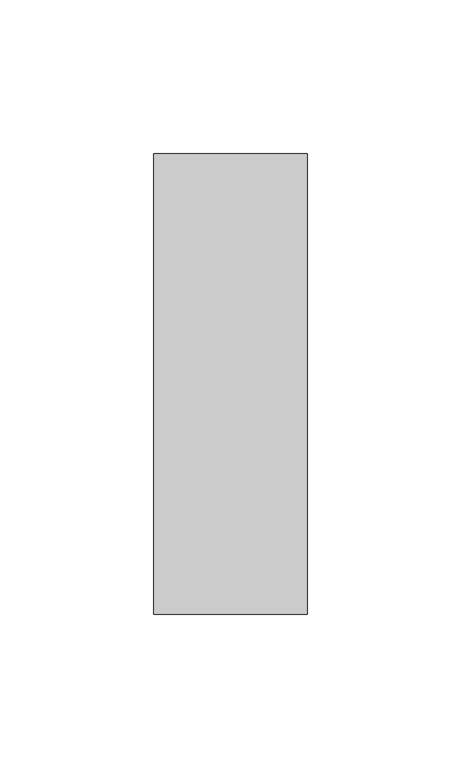
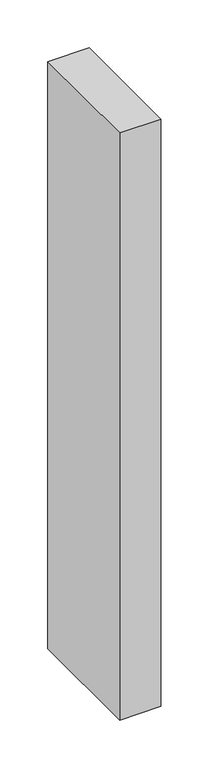
"""IFC4 building model written with IfcOpenShell, lengths in millimetres: member geometry."""

from ifc_helpers import new_model, si_unit, frame, origin, place, context, project, spatial, polyline, outline, extrude, source, transform, mapped, element, save


def member_457f9466(model_context):
    return source(origin(), model_context, "Body", "SweptSolid", [
        extrude(outline(polyline([(25.0, 75.0), (25.0, -75.0), (-25.0, -75.0), (-25.0, 75.0), (25.0, 75.0)])), frame((0.0, 0.0, -750.0), z_axis=(0.0, 0.0, 1.0), x_axis=(1.0, 0.0, 0.0)), (0.0, 0.0, 1.0), 750.0),
    ])


if __name__ == "__main__":
    model = new_model("IFC4")
    model_context = context("Model", 3, world=origin())
    ifc_project = project(units=[si_unit("LENGTHUNIT", "METRE", prefix="MILLI")], contexts=[model_context])
    site = spatial("IfcSite", under=ifc_project)
    building = spatial("IfcBuilding", under=site)
    placement = place(None, origin())
    member_shape = member_457f9466(model_context)
    element("IfcMember", 1, at=placement, inside=building, context=model_context, shape_type="MappedRepresentation", body=[
        mapped(member_shape, transform((0.0, 0.0, 0.0), x_axis=(1.0, 0.0, 0.0), y_axis=(0.0, 1.0, 0.0), z_axis=(0.0, 0.0, 1.0))),
    ])
    save(model, "model.ifc")
